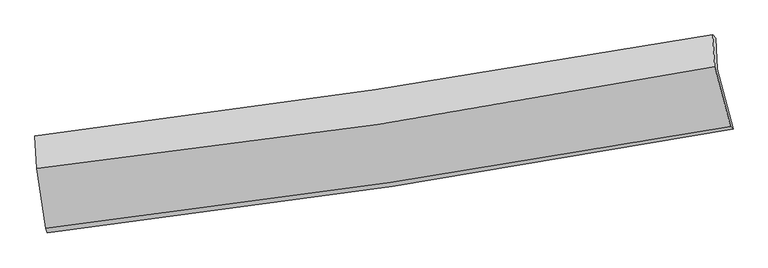
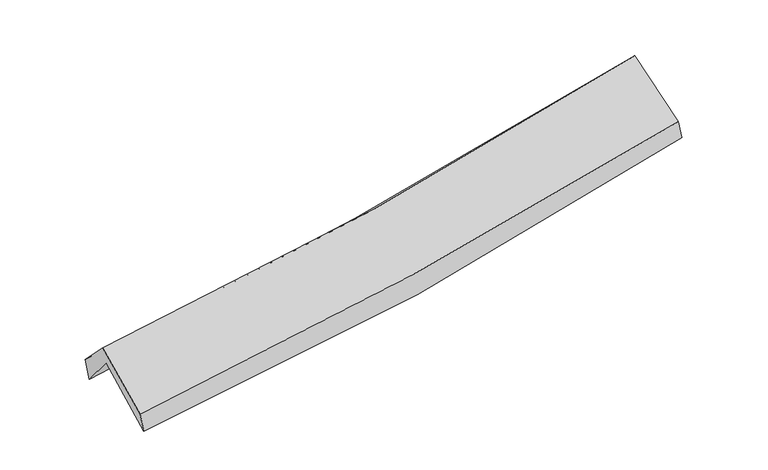
"""IFC4 building model written with IfcOpenShell, lengths in millimetres: proxy geometry."""

from ifc_helpers import new_model, si_unit, frame, origin, place, context, project, spatial, source, transform, mapped, element, save
from ifc_brep_helpers import plane_surface, spline_curve, spline_surface, advanced_brep


def generic_models_cc28c4ec(model_context):
    return source(origin(), model_context, "Body", "AdvancedBrep", [
        advanced_brep(
        [(-2796.1142366, -2508.0498093, 1479.4877148), (-2871.8466277, -2008.7649991, 1908.7982892), (2801.0207685, -1137.9424611, 2390.8231587), (2934.1735437, -1640.3597604, 1969.6772389), (-2883.7216449, -1740.7441302, 1579.5615582), (2790.5706225, -880.9564299, 2074.2133982), (-2897.8208146, -1699.0443669, 1766.6083565), (2764.9144658, -851.8709789, 2264.2048604), (-2882.8464906, -1969.4788429, 2040.6139997), (2780.3304198, -1117.4555384, 2548.8131751), (-2807.9737311, -2472.0335838, 1634.8560455), (2913.5641836, -1620.1784269, 2127.4110984)],
        [
            (0, 1),
            (1, 2, spline_curve(3, [(-2871.8466277, -2008.7649991, 1908.7982892), (-1916.408145305, -1890.59680557, 1944.509235486), (-964.977107026, -1758.765252538, 2002.663298971), (925.945560153, -1468.378112254, 2163.523803251), (1865.470320689, -1309.93548582, 2266.044695926), (2801.0207685, -1137.9424611, 2390.8231587)], [4, 2, 4], [0.0, 9.519376785905742, 18.999321377767025])),
            (2, 3),
            (3, 0, spline_curve(3, [(2934.1735437, -1640.3597604, 1969.6772389), (1990.422281801, -1817.041356524, 1834.653884693), (1042.023413702, -1977.573175908, 1726.322347834), (-868.033768959, -2266.937822747, 1562.703327017), (-1829.730827582, -2395.636020016, 1507.638355542), (-2796.1142366, -2508.0498093, 1479.4877148)], [4, 2, 4], [0.0, 9.479944591861283, 18.999321377767025])),
            (1, 4),
            (4, 5, spline_curve(3, [(-2883.7216449, -1740.7441302, 1579.5615582), (-1930.505638005, -1618.260789161, 1637.309179589), (-980.064298368, -1485.199531294, 1707.515332438), (911.343517791, -1198.516178662, 1872.502279746), (1852.332934099, -1044.981536657, 1967.180073335), (2790.5706225, -880.9564299, 2074.2133982)], [4, 2, 4], [0.0, 9.471097334605108, 18.90296246354051])),
            (5, 2),
            (4, 6),
            (6, 7, spline_curve(3, [(-2897.8208146, -1699.0443669, 1766.6083565), (-1946.226873746, -1582.217877016, 1826.220446062), (-997.561968346, -1453.034734662, 1897.603306632), (889.992242743, -1170.541447211, 2063.566122184), (1828.905763986, -1017.33346025, 2158.048763005), (2764.9144658, -851.8709789, 2264.2048604)], [4, 2, 4], [0.0, 9.460000824925459, 18.880815409346027])),
            (7, 5),
            (6, 8),
            (8, 9, spline_curve(3, [(-2882.8464906, -1969.4788429, 2040.6139997), (-1928.330292796, -1867.229337597, 2095.302600738), (-978.170335822, -1744.913721603, 2165.116053677), (909.519285981, -1460.740057613, 2334.640822673), (1847.084965589, -1299.047905363, 2434.227095056), (2780.3304198, -1117.4555384, 2548.8131751)], [4, 2, 4], [0.0, 9.452077674502451, 18.86500192863225])),
            (9, 7),
            (8, 10),
            (10, 11, spline_curve(3, [(-2807.9737311, -2472.0335838, 1634.8560455), (-1845.75602855, -2356.374793761, 1685.31059348), (-886.869685733, -2227.382521277, 1751.702319706), (1020.282077138, -1943.320568488, 1916.019097184), (1968.5750394, -1788.361121898, 2013.81238848), (2913.5641836, -1620.1784269, 2127.4110984)], [4, 2, 4], [0.0, 9.500355168225067, 18.96135693581162])),
            (11, 9),
            (10, 0),
            (3, 11),
        ],
        [
            spline_surface(3, 3, [[(-2796.1142366, -2508.0498093, 1479.4877148), (-1829.730827448, -2395.636019881, 1507.638355406), (-868.033768918, -2266.937822813, 1562.70332686), (1042.023413661, -1977.573175843, 1726.322347991), (1990.42228186, -1817.041356638, 1834.653884575), (2934.1735437, -1640.3597604, 1969.6772389)], [(-2821.358366968, -2341.621539221, 1622.591239598), (-1858.623266739, -2227.289615147, 1653.261982061), (-900.348215002, -2097.546966104, 1709.356650919), (1003.330795846, -1807.841487927, 1872.056166347), (1948.771628163, -1648.006066353, 1978.450821679), (2889.789285308, -1472.887327294, 2110.059212156)], [(-2846.602497332, -2175.193269179, 1765.694764402), (-1887.515706026, -2058.943210448, 1798.885608722), (-932.662661045, -1928.156109401, 1856.009975041), (964.63817807, -1638.109800016, 2017.789984765), (1907.120974443, -1478.970776087, 2122.247758815), (2845.405026892, -1305.414894206, 2250.441185444)], [(-2871.8466277, -2008.7649991, 1908.7982892), (-1916.408145317, -1890.596805714, 1944.509235376), (-964.977107129, -1758.765252693, 2002.663299101), (925.945560255, -1468.3781121, 2163.523803121), (1865.470320746, -1309.935485802, 2266.044695919), (2801.0207685, -1137.9424611, 2390.8231587)]], [4, 4], [4, 2, 4], [0.0, 2.231094381562757], [0.0, 9.519376785905742, 18.999321377767025]),
            spline_surface(3, 3, [[(-2871.8466277, -2008.7649991, 1908.7982892), (-1916.408145317, -1890.596805714, 1944.509235376), (-964.977107129, -1758.765252693, 2002.663299101), (925.945560255, -1468.3781121, 2163.523803121), (1865.470320746, -1309.935485802, 2266.044695919), (2801.0207685, -1137.9424611, 2390.8231587)], [(-2875.804966741, -1919.424709483, 1799.052712203), (-1921.107309516, -1799.818133591, 1842.109216749), (-970.006170918, -1667.576678902, 1904.280643597), (921.078212789, -1378.424134309, 2066.516628624), (1861.091191883, -1221.617502755, 2166.42315502), (2797.537386499, -1052.280450714, 2285.286571867)], [(-2879.763305859, -1830.084419817, 1689.307135197), (-1925.806473792, -1709.039461418, 1739.709198114), (-975.035234677, -1576.388105066, 1805.897988076), (916.210865354, -1288.470156472, 1969.50945411), (1856.712063024, -1133.299519665, 2066.801614121), (2794.054004501, -966.618440286, 2179.749985033)], [(-2883.7216449, -1740.7441302, 1579.5615582), (-1930.505637991, -1618.260789295, 1637.309179486), (-980.064298466, -1485.199531275, 1707.515332572), (911.343517888, -1198.516178681, 1872.502279613), (1852.332934161, -1044.981536618, 1967.180073222), (2790.5706225, -880.9564299, 2074.2133982)]], [4, 4], [4, 2, 4], [0.0, 1.312158432590889], [0.0, 9.471097334605108, 18.90296246354051]),
            spline_surface(3, 3, [[(-2883.7216449, -1740.7441302, 1579.5615582), (-1930.505637991, -1618.260789295, 1637.309179486), (-980.064298466, -1485.199531275, 1707.515332572), (911.343517888, -1198.516178681, 1872.502279613), (1852.332934161, -1044.981536618, 1967.180073222), (2790.5706225, -880.9564299, 2074.2133982)], [(-2888.421368159, -1726.844209072, 1641.910490952), (-1935.74604997, -1606.24648514, 1700.279601628), (-985.89685507, -1474.477932396, 1770.877990575), (904.226426215, -1189.191268194, 1936.190227157), (1844.523877453, -1035.765511123, 2030.80296979), (2782.018570262, -871.26127957, 2137.543885608)], [(-2893.121091341, -1712.944288028, 1704.259423748), (-1940.986461872, -1594.232181068, 1763.250023815), (-991.72941177, -1463.756333524, 1834.240648572), (897.109334446, -1179.866357716, 1999.878174696), (1836.714820759, -1026.549485617, 2094.425866335), (2773.466518038, -861.56612923, 2200.874372992)], [(-2897.8208146, -1699.0443669, 1766.6083565), (-1946.226873851, -1582.217876913, 1826.220445956), (-997.561968375, -1453.034734644, 1897.603306575), (889.992242772, -1170.541447229, 2063.566122241), (1828.905764051, -1017.333460121, 2158.048762903), (2764.9144658, -851.8709789, 2264.2048604)]], [4, 4], [4, 2, 4], [0.0, 0.6361794420054749], [0.0, 9.460000824925459, 18.880815409346027]),
            spline_surface(3, 3, [[(-2897.8208146, -1699.0443669, 1766.6083565), (-1946.226873851, -1582.217876913, 1826.220445956), (-997.561968375, -1453.034734644, 1897.603306575), (889.992242772, -1170.541447229, 2063.566122241), (1828.905764051, -1017.333460121, 2158.048762903), (2764.9144658, -851.8709789, 2264.2048604)], [(-2892.829373242, -1789.189192244, 1857.943570922), (-1940.261346828, -1677.221697111, 1915.914497526), (-991.098090882, -1550.327730267, 1986.774222233), (896.501257135, -1267.274317356, 2153.92435574), (1834.965497936, -1111.238275203, 2250.108206914), (2770.053117133, -940.39916538, 2359.074298623)], [(-2887.837931958, -1879.334017556, 1949.278785278), (-1934.29581988, -1772.225517278, 2005.608549028), (-984.634213292, -1647.620725936, 2075.945137922), (903.010271596, -1364.00718753, 2244.28258927), (1841.025231823, -1205.143090344, 2342.167650956), (2775.191768467, -1028.92735192, 2453.943736877)], [(-2882.8464906, -1969.4788429, 2040.6139997), (-1928.330292858, -1867.229337476, 2095.302600597), (-978.1703358, -1744.913721558, 2165.116053581), (909.519285959, -1460.740057657, 2334.640822769), (1847.084965708, -1299.047905425, 2434.227094966), (2780.3304198, -1117.4555384, 2548.8131751)]], [4, 4], [4, 2, 4], [0.0, 1.3024536052936997], [0.0, 9.452077674502451, 18.86500192863225]),
            spline_surface(3, 3, [[(-2882.8464906, -1969.4788429, 2040.6139997), (-1928.330292858, -1867.229337476, 2095.302600597), (-978.1703358, -1744.913721558, 2165.116053581), (909.519285959, -1460.740057657, 2334.640822769), (1847.084965708, -1299.047905425, 2434.227094966), (2780.3304198, -1117.4555384, 2548.8131751)], [(-2857.888904099, -2136.99708986, 1905.361348284), (-1900.805538122, -2030.277822947, 1958.638598175), (-947.73678578, -1905.736654852, 2027.31147561), (946.440216393, -1621.600227932, 2195.100247598), (1887.581656884, -1462.152310952, 2294.088859518), (2824.74167438, -1285.029834585, 2408.345816209)], [(-2832.931317601, -2304.51533684, 1770.108696916), (-1873.280783388, -2193.326308439, 1821.974595799), (-917.303235818, -2066.559588068, 1889.506897622), (983.361146768, -1782.46039813, 2055.559672409), (1928.07834812, -1625.256716425, 2153.950624044), (2869.15292902, -1452.604130715, 2267.878457291)], [(-2807.9737311, -2472.0335838, 1634.8560455), (-1845.756028652, -2356.37479391, 1685.310593377), (-886.869685798, -2227.382521361, 1751.702319651), (1020.282077202, -1943.320568404, 1916.019097239), (1968.575039296, -1788.361121952, 2013.812388596), (2913.5641836, -1620.1784269, 2127.4110984)]], [4, 4], [4, 2, 4], [0.0, 2.1163093366381958], [0.0, 9.500355168225067, 18.96135693581162]),
            spline_surface(3, 3, [[(-2807.9737311, -2472.0335838, 1634.8560455), (-1845.756028652, -2356.37479391, 1685.310593377), (-886.869685798, -2227.382521361, 1751.702319651), (1020.282077202, -1943.320568404, 1916.019097239), (1968.575039296, -1788.361121952, 2013.812388596), (2913.5641836, -1620.1784269, 2127.4110984)], [(-2804.020566291, -2484.03899232, 1583.066601941), (-1840.414294942, -2369.461869254, 1626.086514061), (-880.591046833, -2240.567621824, 1688.702655405), (1027.52918936, -1954.738104196, 1852.786847507), (1975.857453503, -1797.921200171, 1954.09288726), (2920.433970319, -1626.905538056, 2074.833145238)], [(-2800.067401409, -2496.04440078, 1531.277158359), (-1835.072561159, -2382.548944537, 1566.862434722), (-874.312407882, -2253.75272235, 1625.702991106), (1034.776301503, -1966.155640051, 1789.554597722), (1983.139867653, -1807.481278419, 1894.373385911), (2927.303756981, -1633.632649244, 2022.255192062)], [(-2796.1142366, -2508.0498093, 1479.4877148), (-1829.730827448, -2395.636019881, 1507.638355406), (-868.033768918, -2266.937822813, 1562.70332686), (1042.023413661, -1977.573175843, 1726.322347991), (1990.42228186, -1817.041356638, 1834.653884575), (2934.1735437, -1640.3597604, 1969.6772389)]], [4, 4], [4, 2, 4], [0.0, 0.6363992964842156], [0.0, 9.55623995664014, 19.072895020615505]),
            plane_surface(frame((2830.762334, -1208.1272659, 2229.1904883), z_axis=(0.9795996993240301, 0.17062811511478854, 0.1061624953391958), x_axis=(0.19904240202901016, -0.7510346362946896, -0.6295467395517392))),
            plane_surface(frame((-2856.7205909, -2066.352622, 1734.9876606), z_axis=(-0.9929779004334754, -0.10671454018969267, -0.05105777279542773), x_axis=(-0.07415496487768664, 0.22520200651278607, 0.9714860253480768))),
        ],
        [
            (0, [[1, 2, 3, 4]]),
            (1, [[5, 6, 7, -2]]),
            (2, [[8, 9, 10, -6]]),
            (3, [[11, 12, 13, -9]]),
            (4, [[14, 15, 16, -12]]),
            (5, [[17, -4, 18, -15]]),
            (6, [[-16, -18, -3, -7, -10, -13]]),
            (7, [[-17, -14, -11, -8, -5, -1]]),
        ],
    ),
    ])


if __name__ == "__main__":
    model = new_model("IFC4")
    model_context = context("Model", 3, world=origin())
    ifc_project = project(units=[si_unit("LENGTHUNIT", "METRE", prefix="MILLI")], contexts=[model_context])
    site = spatial("IfcSite", under=ifc_project)
    building = spatial("IfcBuilding", under=site)
    placement = place(None, origin())
    generic_models_shape = generic_models_cc28c4ec(model_context)
    element("IfcBuildingElementProxy", 1, Name="Generic Models", at=placement, inside=building, context=model_context, shape_type="MappedRepresentation", body=[
        mapped(generic_models_shape, transform((0.0, 0.0, 0.0), x_axis=(1.0, 0.0, 0.0), y_axis=(0.0, 1.0, 0.0), z_axis=(0.0, 0.0, 1.0))),
    ])
    save(model, "model.ifc")
